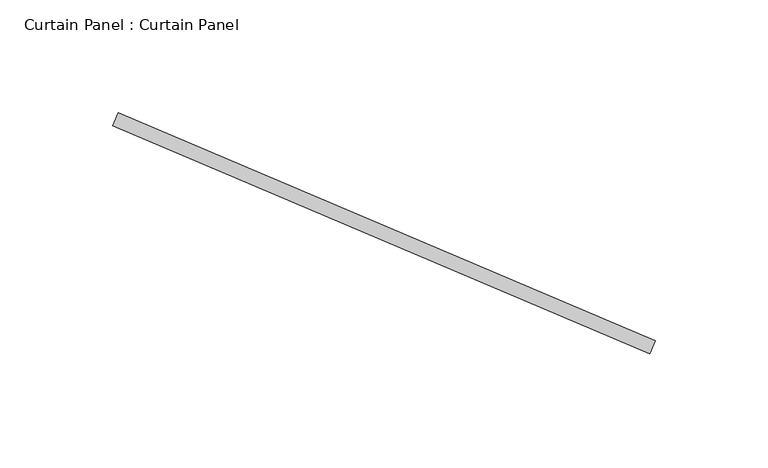
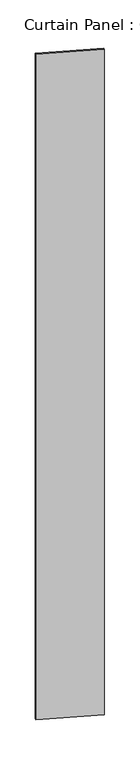
"""IFC4 building model written with IfcOpenShell, lengths in millimetres: plate geometry, Curtain Panel : Curtain Panel."""

from ifc_helpers import new_model, si_unit, origin, origin_with_axes, place, context, project, spatial, polyline, outline, extrude, source, transform, mapped, element, save


def curtain_panel_curtain_panel_e51c2583(model_context):
    return source(origin(), model_context, "Body", "SweptSolid", [
        extrude(outline(polyline([(-145405.9754398, 8486.0764731), (-145167.7833026, 8384.9699094), (-145170.2644453, 8379.1247036), (-145408.4565824, 8480.2312672), (-145405.9754398, 8486.0764731)])), origin_with_axes(), (0.0, 0.0, 1.0), 3048.0),
    ])


if __name__ == "__main__":
    model = new_model("IFC4")
    model_context = context("Model", 3, world=origin())
    ifc_project = project(units=[si_unit("LENGTHUNIT", "METRE", prefix="MILLI")], contexts=[model_context])
    site = spatial("IfcSite", under=ifc_project)
    building = spatial("IfcBuilding", under=site)
    placement = place(None, origin())
    curtain_panel_curtain_panel_shape = curtain_panel_curtain_panel_e51c2583(model_context)
    element("IfcPlate", 1, ObjectType="Curtain Panel : Curtain Panel", at=placement, inside=building, context=model_context, shape_type="MappedRepresentation", body=[
        mapped(curtain_panel_curtain_panel_shape, transform((0.0, 0.0, 0.0), x_axis=(1.0, 0.0, 0.0), y_axis=(0.0, 1.0, 0.0), z_axis=(0.0, 0.0, 1.0))),
    ])
    save(model, "model.ifc")
